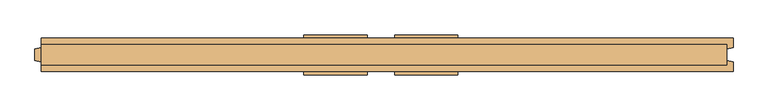
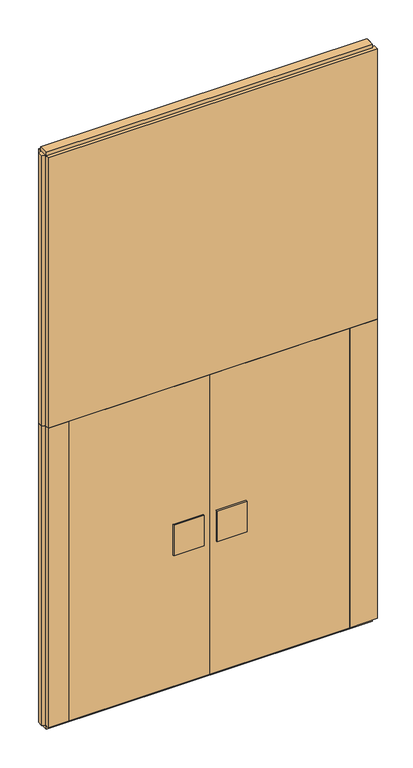
"""IFC4 building model written with IfcOpenShell, lengths in millimetres: door geometry."""

from ifc_helpers import new_model, si_unit, frame, origin, origin_with_axes, place, context, project, spatial, polyline, outline, extrude, source, transform, mapped, element, save


def door_f014d45e(model_context):
    return source(origin(), model_context, "Body", "SweptSolid", [
        extrude(outline(polyline([(43.0, -62.5), (43.0, -52.5), (240.0, -52.5), (240.0, -62.5), (43.0, -62.5)])), frame((0.0, 0.0, 934.0), z_axis=(0.0, 0.0, 1.0), x_axis=(1.0, 0.0, 0.0)), (0.0, 0.0, 1.0), 212.0),
        extrude(outline(polyline([(43.0, 52.5), (43.0, 62.5), (240.0, 62.5), (240.0, 52.5), (43.0, 52.5)])), frame((0.0, 0.0, 934.0), z_axis=(0.0, 0.0, 1.0), x_axis=(1.0, 0.0, 0.0)), (0.0, 0.0, 1.0), 212.0),
        extrude(outline(polyline([(-920.0, -52.5), (-920.0, 52.5), (0.0, 52.5), (0.0, -52.5), (-920.0, -52.5)])), frame((0.0, 0.0, 25.0), z_axis=(0.0, 0.0, 1.0), x_axis=(1.0, 0.0, 0.0)), (0.0, 0.0, 1.0), 2075.0),
        extrude(outline(polyline([(0.0, -52.5), (0.0, 52.5), (920.0, 52.5), (920.0, -52.5), (0.0, -52.5)])), frame((0.0, 0.0, 25.0), z_axis=(0.0, 0.0, 1.0), x_axis=(1.0, 0.0, 0.0)), (0.0, 0.0, 1.0), 2075.0),
        extrude(outline(polyline([(-240.0, -62.5), (-240.0, -52.5), (-43.0, -52.5), (-43.0, -62.5), (-240.0, -62.5)])), frame((0.0, 0.0, 934.0), z_axis=(0.0, 0.0, 1.0), x_axis=(1.0, 0.0, 0.0)), (0.0, 0.0, 1.0), 212.0),
        extrude(outline(polyline([(-240.0, 52.5), (-240.0, 62.5), (-43.0, 62.5), (-43.0, 52.5), (-240.0, 52.5)])), frame((0.0, 0.0, 934.0), z_axis=(0.0, 0.0, 1.0), x_axis=(1.0, 0.0, 0.0)), (0.0, 0.0, 1.0), 212.0),
        extrude(outline(polyline([(1080.0, 32.0), (1080.0, -32.0), (-1060.0, -32.0), (-1060.0, 32.0), (1080.0, 32.0)])), origin_with_axes(), (0.0, 0.0, 1.0), 25.0),
        extrude(outline(polyline([(1080.0, 32.0), (1080.0, -32.0), (-1060.0, -32.0), (-1060.0, 32.0), (1080.0, 32.0)])), frame((0.0, 0.0, 3975.0), z_axis=(0.0, 0.0, 1.0), x_axis=(1.0, 0.0, 0.0)), (0.0, 0.0, 1.0), 25.0),
        extrude(outline(polyline([(1100.0, -52.5), (920.0, -52.5), (920.0, 52.5), (1100.0, 52.5), (1100.0, 23.0), (1080.0, 17.6410162), (1080.0, -17.6410162), (1100.0, -23.0), (1100.0, -52.5)])), frame((0.0, 0.0, 25.0), z_axis=(0.0, 0.0, 1.0), x_axis=(1.0, 0.0, 0.0)), (0.0, 0.0, 1.0), 2075.0),
        extrude(outline(polyline([(-1060.0, -52.5), (-1060.0, -23.0), (-1080.0, -17.6410162), (-1080.0, 17.6410162), (-1060.0, 23.0), (-1060.0, 52.5), (-920.0, 52.5), (-920.0, -52.5), (-1060.0, -52.5)])), frame((0.0, 0.0, 25.0), z_axis=(0.0, 0.0, 1.0), x_axis=(1.0, 0.0, 0.0)), (0.0, 0.0, 1.0), 2075.0),
        extrude(outline(polyline([(1100.0, 52.5), (1100.0, 23.0), (1080.0, 17.6410162), (1080.0, -17.6410162), (1100.0, -23.0), (1100.0, -52.5), (-1060.0, -52.5), (-1060.0, -23.0), (-1080.0, -17.6410162), (-1080.0, 17.6410162), (-1060.0, 23.0), (-1060.0, 52.5), (1100.0, 52.5)])), frame((0.0, 0.0, 2100.0), z_axis=(0.0, 0.0, 1.0), x_axis=(1.0, 0.0, 0.0)), (0.0, 0.0, 1.0), 1875.0),
    ])


if __name__ == "__main__":
    model = new_model("IFC4")
    model_context = context("Model", 3, world=origin())
    ifc_project = project(units=[si_unit("LENGTHUNIT", "METRE", prefix="MILLI")], contexts=[model_context])
    site = spatial("IfcSite", under=ifc_project)
    building = spatial("IfcBuilding", under=site)
    placement = place(None, origin())
    door_shape = door_f014d45e(model_context)
    element("IfcDoor", 1, at=placement, inside=building, context=model_context, shape_type="MappedRepresentation", body=[
        mapped(door_shape, transform((0.0, 0.0, 0.0), x_axis=(1.0, 0.0, 0.0), y_axis=(0.0, 1.0, 0.0), z_axis=(0.0, 0.0, 1.0))),
    ])
    save(model, "model.ifc")
